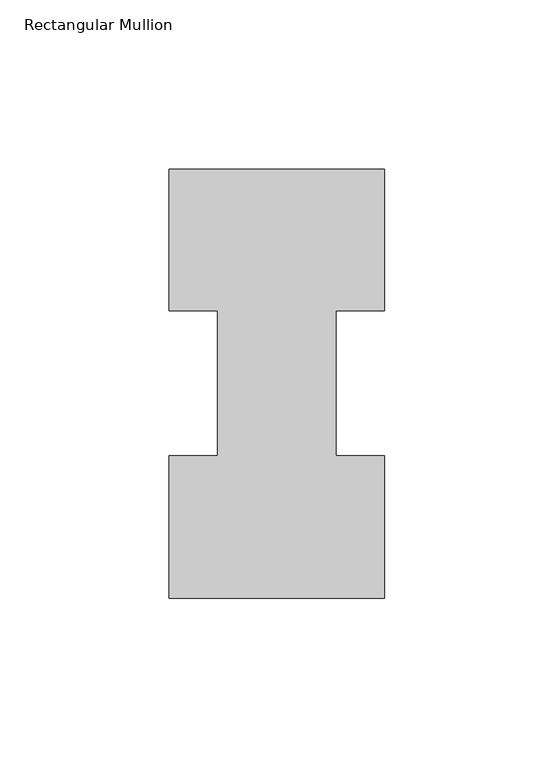
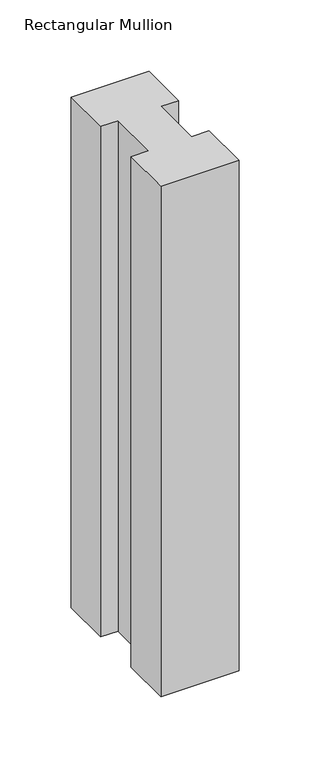
"""IFC4 building model written with IfcOpenShell, lengths in millimetres: member geometry, Rectangular Mullion."""

from ifc_helpers import new_model, si_unit, frame, origin, place, context, project, spatial, polyline, outline, extrude, source, transform, mapped, element, save


def rectangular_mullion_a59afe1c(model_context):
    return source(origin(), model_context, "Body", "SweptSolid", [
        extrude(outline(polyline([(0.0, 126.7348875), (0.0, 85.1296875), (-14.2748, 85.1296875), (-14.2748, 42.2798875), (0.0, 42.2798875), (0.0, 0.2428875), (-63.5, 0.2428875), (-63.5, 42.2798875), (-49.2125, 42.2798875), (-49.2125, 85.1296875), (-63.5, 85.1296875), (-63.5, 126.7348875), (0.0, 126.7348875)])), frame((0.0, 0.0, -438.15), z_axis=(0.0, 0.0, 1.0), x_axis=(1.0, 0.0, 0.0)), (0.0, 0.0, 1.0), 438.15),
    ])


if __name__ == "__main__":
    model = new_model("IFC4")
    model_context = context("Model", 3, world=origin())
    ifc_project = project(units=[si_unit("LENGTHUNIT", "METRE", prefix="MILLI")], contexts=[model_context])
    site = spatial("IfcSite", under=ifc_project)
    building = spatial("IfcBuilding", under=site)
    placement = place(None, origin())
    rectangular_mullion_shape = rectangular_mullion_a59afe1c(model_context)
    element("IfcMember", 1, ObjectType="Rectangular Mullion", at=placement, inside=building, context=model_context, shape_type="MappedRepresentation", body=[
        mapped(rectangular_mullion_shape, transform((0.0, 0.0, 0.0), x_axis=(1.0, 0.0, 0.0), y_axis=(0.0, 1.0, 0.0), z_axis=(0.0, 0.0, 1.0))),
    ])
    save(model, "model.ifc")
